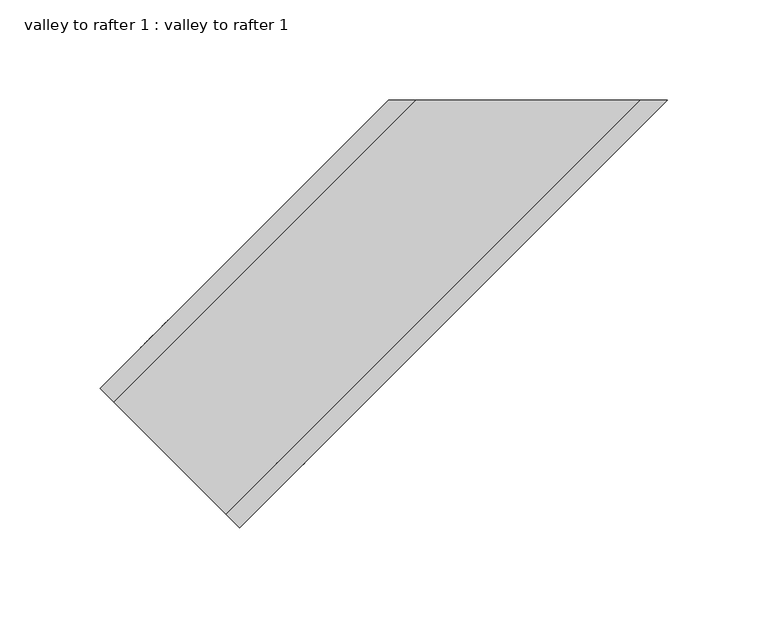
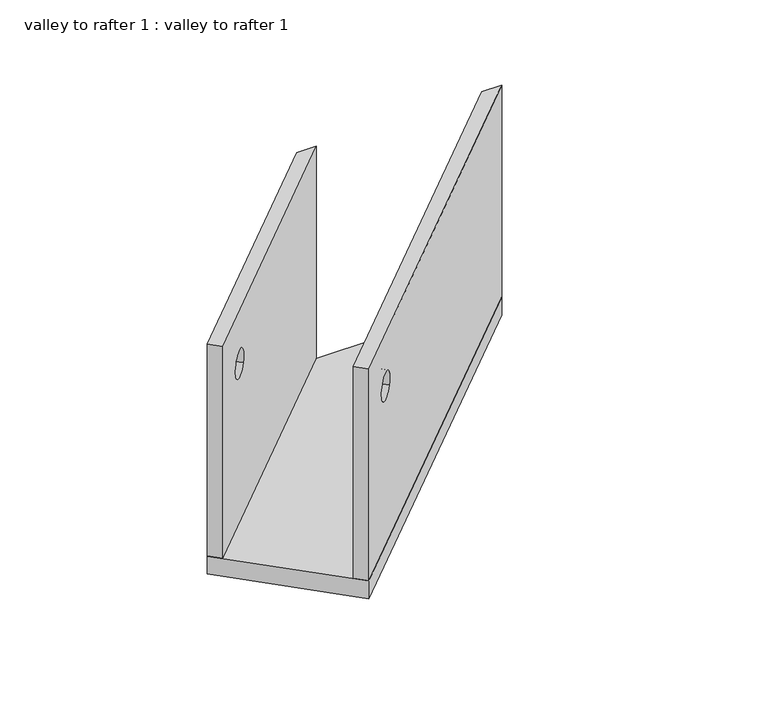
"""IFC4 building model written with IfcOpenShell, lengths in millimetres: fastener geometry, valley to rafter 1 : valley to rafter 1."""

from ifc_helpers import new_model, si_unit, frame, origin, place, context, project, spatial, polyline, circle_curve, outline, extrude, source, transform, mapped, element, save
from ifc_brep_helpers import plane_surface, revolved_surface, advanced_brep


def valley_to_rafter_1_valley_to_rafter_1_e9b08973(model_context):
    return source(origin(), model_context, "Body", "SolidModel", [
        extrude(outline(polyline([(11135.1941455, 4847.1764237), (11065.5971606, 4916.7734086), (11209.2812585, 5060.4575065), (11348.4752284, 5060.4575065), (11135.1941455, 4847.1764237)])), frame((0.0, 0.0, 69.85), z_axis=(0.0, 0.0, 1.0), x_axis=(1.0, 0.0, 0.0)), (0.0, 0.0, 1.0), 12.7),
        advanced_brep(
        [(11065.5971606, 4916.7734086, 82.55), (11065.5971606, 4916.7734086, 234.95), (11209.2812585, 5060.4575065, 234.95), (11209.2812585, 5060.4575065, 82.55), (11098.3406323, 4949.5168803, 192.0144139), (11086.7352256, 4937.9114736, 201.6855861), (11072.3323526, 4910.0382165, 234.95), (11072.3323526, 4910.0382165, 82.55), (11222.7516427, 5060.4575065, 82.55), (11222.7516427, 5060.4575065, 234.95), (11093.4704177, 4931.1762815, 201.6855861), (11105.0758243, 4942.7816882, 192.0144139)],
        [
            (0, 1),
            (1, 2),
            (2, 3),
            (3, 0),
            (4, 5, circle_curve(frame((11092.5379289, 4943.714177, 196.85), z_axis=(0.7071067811746067, -0.7071067811984884, 0.0), x_axis=(0.6092076990878077, 0.6092076990672324, -0.5076730825731731)), 9.525)),
            (5, 4, circle_curve(frame((11092.5379289, 4943.714177, 196.85), z_axis=(0.7071067811746067, -0.7071067811984884, 0.0), x_axis=(0.6092076990878077, 0.6092076990672324, -0.5076730825731731)), 9.525)),
            (6, 7),
            (7, 8),
            (8, 9),
            (9, 6),
            (10, 11, circle_curve(frame((11099.273121, 4936.9789849, 196.85), z_axis=(-0.7071067811746067, 0.7071067811984884, 0.0), x_axis=(0.6092076990878077, 0.6092076990672324, -0.5076730825731731)), 9.525)),
            (11, 10, circle_curve(frame((11099.273121, 4936.9789849, 196.85), z_axis=(-0.7071067811746067, 0.7071067811984884, 0.0), x_axis=(0.6092076990878077, 0.6092076990672324, -0.5076730825731731)), 9.525)),
            (1, 6),
            (9, 2),
            (7, 0),
            (3, 8),
            (10, 5),
            (4, 11),
        ],
        [
            plane_surface(frame((11171.4514393, 5022.6276873, 234.95), z_axis=(-0.7071067811746067, 0.7071067811984885, 0.0), x_axis=(0.7071067811984885, 0.7071067811746067, 0.0))),
            plane_surface(frame((11178.1866314, 5015.8924952, 234.95), z_axis=(0.7071067811746067, -0.7071067811984885, 0.0), x_axis=(-0.7071067811984885, -0.7071067811746067, 0.0))),
            plane_surface(frame((11065.5971606, 4916.7734086, 234.95), z_axis=(0.0, 0.0, 1.0000000000000002), x_axis=(0.7071067811746105, -0.7071067811984847, 0.0))),
            plane_surface(frame((11357.4554845, 5208.6317325, 82.55), z_axis=(0.0, 0.0, -1.0000000000000002), x_axis=(0.7071067811746105, -0.7071067811984847, 0.0))),
            plane_surface(frame((11065.5971606, 4916.7734086, 82.55), z_axis=(-0.7071067811984847, -0.7071067811746105, 0.0), x_axis=(0.7071067811746105, -0.7071067811984847, 0.0))),
            plane_surface(frame((11198.480243, 5060.4575065, 304.8), z_axis=(0.0, 1.0, 0.0), x_axis=(0.0, 0.0, -1.0))),
            revolved_surface(polyline([(11098.340632234986, 4949.516880334791, 192.0144138884905), (11105.07582438497, 4942.781688184578, 192.0144138884905)]), (11162.1349139, 4874.117192, 196.85), (-0.7071067811746067, 0.7071067811984884, 0.0)),
        ],
        [
            (0, [[1, 2, 3, 4], [5, 6]]),
            (1, [[7, 8, 9, 10], [11, 12]]),
            (2, [[13, -10, 14, -2]]),
            (3, [[15, -4, 16, -8]]),
            (4, [[-1, -15, -7, -13]]),
            (5, [[-3, -14, -9, -16]]),
            (6, [[17, -5, 18, -11]]),
            (6, [[-17, -12, -18, -6]]),
        ],
    ),
        advanced_brep(
        [(11135.1941455, 4847.1764237, 234.95), (11135.1941455, 4847.1764237, 82.55), (11348.4752284, 5060.4575065, 82.55), (11348.4752284, 5060.4575065, 234.95), (11156.3322105, 4868.3144887, 201.6855861), (11167.9376172, 4879.9198954, 192.0144139), (11128.4589534, 4853.9116158, 82.55), (11128.4589534, 4853.9116158, 234.95), (11335.0048442, 5060.4575065, 234.95), (11335.0048442, 5060.4575065, 82.55), (11161.2024251, 4886.6550875, 192.0144139), (11149.5970184, 4875.0496808, 201.6855861)],
        [
            (0, 1),
            (1, 2),
            (2, 3),
            (3, 0),
            (4, 5, circle_curve(frame((11162.1349139, 4874.117192, 196.85), z_axis=(-0.7071067811746067, 0.7071067811984884, 0.0), x_axis=(0.6092076990878077, 0.6092076990672324, -0.5076730825731731)), 9.525)),
            (5, 4, circle_curve(frame((11162.1349139, 4874.117192, 196.85), z_axis=(-0.7071067811746067, 0.7071067811984884, 0.0), x_axis=(0.6092076990878077, 0.6092076990672324, -0.5076730825731731)), 9.525)),
            (6, 7),
            (7, 8),
            (8, 9),
            (9, 6),
            (10, 11, circle_curve(frame((11155.3997218, 4880.8523841, 196.85), z_axis=(0.7071067811746067, -0.7071067811984884, 0.0), x_axis=(0.6092076990878077, 0.6092076990672324, -0.5076730825731731)), 9.525)),
            (11, 10, circle_curve(frame((11155.3997218, 4880.8523841, 196.85), z_axis=(0.7071067811746067, -0.7071067811984884, 0.0), x_axis=(0.6092076990878077, 0.6092076990672324, -0.5076730825731731)), 9.525)),
            (7, 0),
            (3, 8),
            (6, 1),
            (9, 2),
            (4, 11),
            (10, 5),
        ],
        [
            plane_surface(frame((11439.8579922, 5151.8402704, 87.1142284), z_axis=(0.7071067811746067, -0.7071067811984885, 0.0), x_axis=(0.0, 0.0, 1.0))),
            plane_surface(frame((11433.1228001, 5158.5754625, 87.1142284), z_axis=(-0.7071067811746067, 0.7071067811984885, 0.0), x_axis=(0.0, 0.0, -1.0))),
            plane_surface(frame((11439.8579922, 5151.8402704, 234.95), z_axis=(0.0, 0.0, 1.0000000000000002), x_axis=(-0.7071067811746105, 0.7071067811984847, 0.0))),
            plane_surface(frame((11135.1941455, 4847.1764237, 234.95), z_axis=(-0.7071067811984847, -0.7071067811746105, 0.0), x_axis=(-0.7071067811746105, 0.7071067811984847, 0.0))),
            plane_surface(frame((11135.1941455, 4847.1764237, 82.55), z_axis=(0.0, 0.0, -1.0000000000000002), x_axis=(-0.7071067811746105, 0.7071067811984847, 0.0))),
            plane_surface(frame((11198.480243, 5060.4575065, 304.8), z_axis=(0.0, 1.0, 0.0), x_axis=(0.0, 0.0, -1.0))),
            revolved_surface(polyline([(11161.202425083826, 4886.655087483827, 192.0144138884905), (11167.93761723381, 4879.919895333615, 192.0144138884905)]), (11162.1349139, 4874.117192, 196.85), (-0.7071067811746067, 0.7071067811984884, 0.0)),
        ],
        [
            (0, [[1, 2, 3, 4], [5, 6]]),
            (1, [[7, 8, 9, 10], [11, 12]]),
            (2, [[13, -4, 14, -8]]),
            (3, [[-1, -13, -7, 15]]),
            (4, [[-15, -10, 16, -2]]),
            (5, [[-3, -16, -9, -14]]),
            (6, [[17, -11, 18, -5]]),
            (6, [[-17, -6, -18, -12]]),
        ],
    ),
    ])


if __name__ == "__main__":
    model = new_model("IFC4")
    model_context = context("Model", 3, world=origin())
    ifc_project = project(units=[si_unit("LENGTHUNIT", "METRE", prefix="MILLI")], contexts=[model_context])
    site = spatial("IfcSite", under=ifc_project)
    building = spatial("IfcBuilding", under=site)
    placement = place(None, origin())
    valley_to_rafter_1_valley_to_rafter_1_shape = valley_to_rafter_1_valley_to_rafter_1_e9b08973(model_context)
    element("IfcFastener", 1, ObjectType="valley to rafter 1 : valley to rafter 1", at=placement, inside=building, context=model_context, shape_type="MappedRepresentation", body=[
        mapped(valley_to_rafter_1_valley_to_rafter_1_shape, transform((0.0, 0.0, 0.0), x_axis=(1.0, 0.0, 0.0), y_axis=(0.0, 1.0, 0.0), z_axis=(0.0, 0.0, 1.0))),
    ])
    save(model, "model.ifc")
